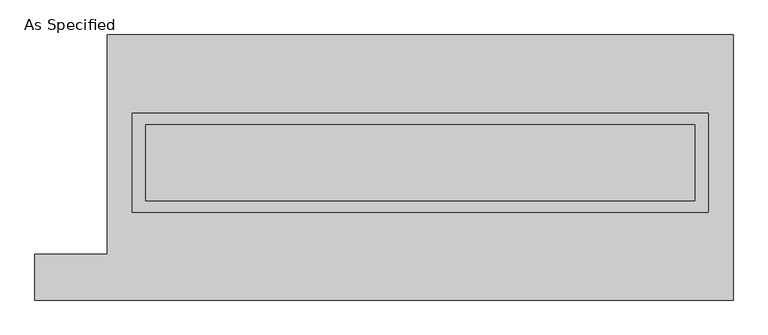
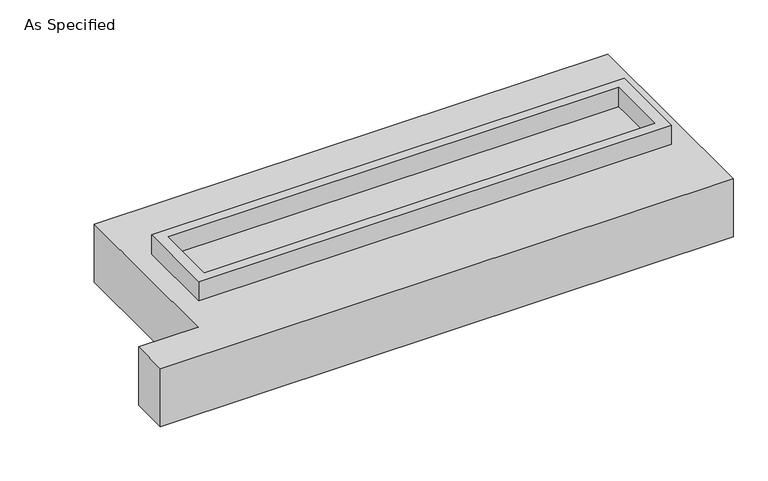
"""IFC4 building model written with IfcOpenShell, lengths in millimetres: proxy geometry, As Specified."""

from ifc_helpers import new_model, si_unit, frame, origin, place, context, project, spatial, polyline, outline, extrude, source, transform, mapped, element, save


def as_specified_467cb690(model_context):
    return source(origin(), model_context, "Body", "SweptSolid", [
        extrude(outline(polyline([(1917.7, 361.95), (1917.7, -298.45), (-1917.7, -298.45), (-1917.7, 361.95), (1917.7, 361.95)]), holes=[polyline([(1828.8, 285.75), (-1828.8, 285.75), (-1828.8, -222.25), (1828.8, -222.25), (1828.8, 285.75)])]), frame((0.0, 0.0, -688.975), z_axis=(0.0, 0.0, 1.0), x_axis=(1.0, 0.0, 0.0)), (0.0, 0.0, 1.0), 165.1),
        extrude(outline(polyline([(1917.7, 361.95), (1917.7, -298.45), (-1917.7, -298.45), (-1917.7, 361.95), (1917.7, 361.95)]), holes=[polyline([(1828.8, 285.75), (-1828.8, 285.75), (-1828.8, -222.25), (1828.8, -222.25), (1828.8, 285.75)])]), frame((0.0, 0.0, -25.4), z_axis=(0.0, 0.0, 1.0), x_axis=(1.0, 0.0, 0.0)), (0.0, 0.0, 1.0), 165.1),
        extrude(outline(polyline([(1828.8, 285.75), (1828.8, -222.25), (-1828.8, -222.25), (-1828.8, 285.75), (1828.8, 285.75)])), frame((0.0, 0.0, -523.875), z_axis=(0.0, 0.0, 1.0), x_axis=(1.0, 0.0, 0.0)), (0.0, 0.0, 1.0), 4.9609375),
        extrude(outline(polyline([(1828.8, 285.75), (1828.8, -222.25), (-1828.8, -222.25), (-1828.8, 285.75), (1828.8, 285.75)])), frame((0.0, 0.0, -30.3609375), z_axis=(0.0, 0.0, 1.0), x_axis=(1.0, 0.0, 0.0)), (0.0, 0.0, 1.0), 4.9609375),
        extrude(outline(polyline([(-2082.8, 882.65), (2082.8, 882.65), (2082.8, -882.65), (-2565.4, -882.65), (-2565.4, -577.85), (-2082.8, -577.85), (-2082.8, 882.65)]), holes=[polyline([(-1917.7, 361.95), (-1917.7, -298.45), (1917.7, -298.45), (1917.7, 361.95), (-1917.7, 361.95)])]), frame((0.0, 0.0, -523.875), z_axis=(0.0, 0.0, 1.0), x_axis=(1.0, 0.0, 0.0)), (0.0, 0.0, 1.0), 498.475),
    ])


if __name__ == "__main__":
    model = new_model("IFC4")
    model_context = context("Model", 3, world=origin())
    ifc_project = project(units=[si_unit("LENGTHUNIT", "METRE", prefix="MILLI")], contexts=[model_context])
    site = spatial("IfcSite", under=ifc_project)
    building = spatial("IfcBuilding", under=site)
    placement = place(None, origin())
    as_specified_shape = as_specified_467cb690(model_context)
    element("IfcBuildingElementProxy", 1, Name="As Specified", ObjectType="As Specified", at=placement, inside=building, context=model_context, shape_type="MappedRepresentation", body=[
        mapped(as_specified_shape, transform((0.0, 0.0, 0.0), x_axis=(1.0, 0.0, 0.0), y_axis=(0.0, 1.0, 0.0), z_axis=(0.0, 0.0, 1.0))),
    ])
    save(model, "model.ifc")
